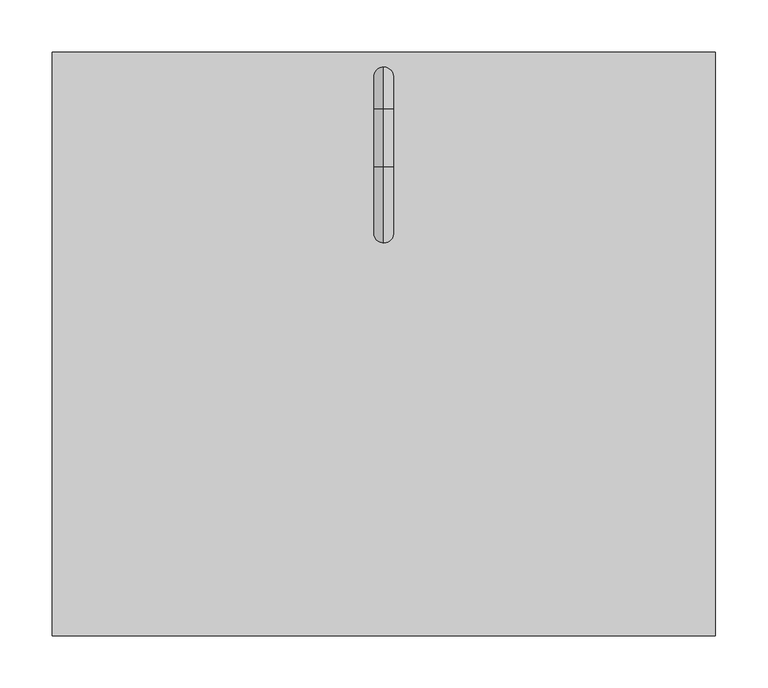
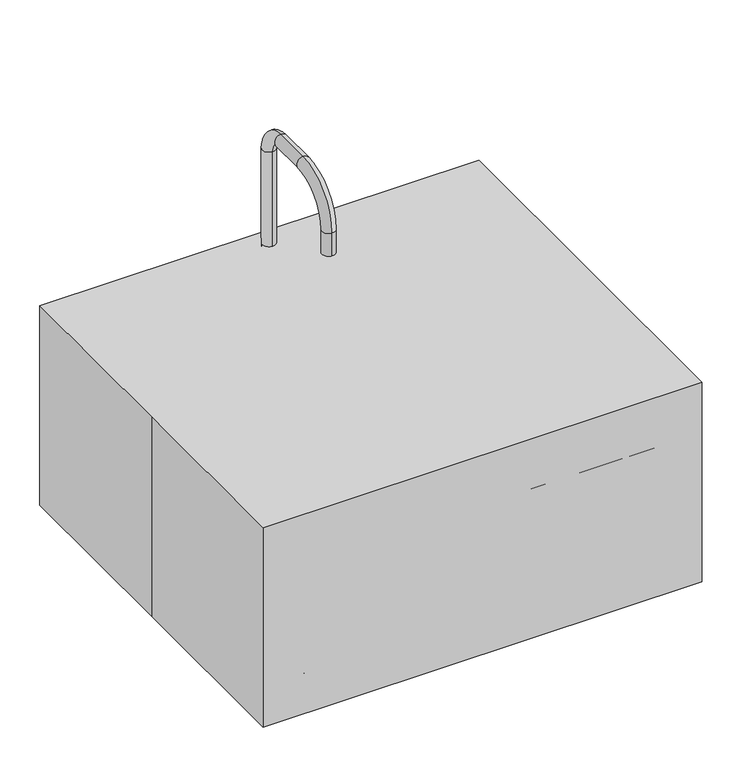
"""IFC4 building model written with IfcOpenShell, lengths in millimetres: proxy geometry."""

from ifc_helpers import new_model, si_unit, point, frame, frame_2d, origin, origin_with_axes, origin_2d, place, context, project, spatial, polyline, circle_curve, ellipse_curve, trimmed, segment, composite_curve, outline, extrude, source, transform, mapped, element, save
from ifc_brep_helpers import plane_surface, cylinder_surface, revolved_surface, advanced_brep


def specialty_equipment_99f64522(model_context):
    return source(origin(), model_context, "Body", "SolidModel", [
        extrude(outline(composite_curve([segment(trimmed(circle_curve(frame_2d((215.9, 168.275)), 25.4), [point((215.9, 193.675))], [point((241.3, 168.275))], False, "CARTESIAN"), True, "CONTINUOUS"), segment(polyline([(241.3, 168.275), (241.3, -177.8)]), True, "CONTINUOUS"), segment(trimmed(circle_curve(frame_2d((215.9, -177.8)), 25.4), [point((241.3, -177.8))], [point((215.9, -203.2))], False, "CARTESIAN"), True, "CONTINUOUS"), segment(polyline([(215.9, -203.2), (-217.16273, -203.2)]), True, "CONTINUOUS"), segment(trimmed(circle_curve(frame_2d((-217.16273, -177.8)), 25.4), [point((-217.16273, -203.2))], [point((-242.56273, -177.8))], False, "CARTESIAN"), True, "CONTINUOUS"), segment(polyline([(-242.56273, -177.8), (-242.56273, 168.275)]), True, "CONTINUOUS"), segment(trimmed(circle_curve(frame_2d((-217.16273, 168.275)), 25.4), [point((-242.56273, 168.275))], [point((-217.16273, 193.675))], False, "CARTESIAN"), True, "CONTINUOUS"), segment(polyline([(-217.16273, 193.675), (215.9, 193.675)]), True, "CONTINUOUS")], self_intersect=False), holes=[composite_curve([segment(trimmed(circle_curve(origin_2d(), 25.4), [point((-25.4, 0.0))], [point((25.4, 0.0))], True, "CARTESIAN"), True, "CONTINUOUS"), segment(trimmed(circle_curve(origin_2d(), 25.4), [point((25.4, 0.0))], [point((-25.4, 0.0))], True, "CARTESIAN"), True, "CONTINUOUS")], self_intersect=False)]), origin_with_axes(), (0.0, 0.0, 1.0), 9.525),
        extrude(outline(polyline([(-317.5, 279.4), (317.5, 279.4), (317.5, -279.4), (-317.5, -279.4), (-317.5, 0.0), (-317.5, 279.4)])), origin_with_axes(), (0.0, 0.0, 1.0), 304.8),
        extrude(outline(composite_curve([segment(trimmed(circle_curve(frame_2d((82.55, 260.35)), 19.05), [point((82.55, 279.4))], [point((82.55, 241.3))], False, "CARTESIAN"), True, "CONTINUOUS"), segment(polyline([(82.55, 241.3), (-82.55, 241.3)]), True, "CONTINUOUS"), segment(trimmed(circle_curve(frame_2d((-82.55, 260.35)), 19.05), [point((-82.55, 241.3))], [point((-82.55, 279.4))], False, "CARTESIAN"), True, "CONTINUOUS"), segment(polyline([(-82.55, 279.4), (82.55, 279.4)]), True, "CONTINUOUS")], self_intersect=False), holes=[composite_curve([segment(trimmed(circle_curve(frame_2d((0.0, 255.5875)), 9.525), [point((-9.525, 255.5875))], [point((9.525, 255.5875))], True, "CARTESIAN"), True, "CONTINUOUS"), segment(trimmed(circle_curve(frame_2d((0.0, 255.5875)), 9.525), [point((9.525, 255.5875))], [point((-9.525, 255.5875))], True, "CARTESIAN"), True, "CONTINUOUS")], self_intersect=False)]), frame((0.0, 0.0, 228.6), z_axis=(0.0, 0.0, 1.0), x_axis=(1.0, 0.0, 0.0)), (0.0, 0.0, 1.0), 12.7),
        extrude(outline(composite_curve([segment(trimmed(circle_curve(frame_2d((-1e-07, 255.5875)), 12.7), [point((-12.7000001, 255.5875))], [point((12.6999999, 255.5875))], False, "CARTESIAN"), True, "CONTINUOUS"), segment(trimmed(circle_curve(frame_2d((-1e-07, 255.5875)), 12.7), [point((12.6999999, 255.5875))], [point((-12.7000001, 255.5875))], False, "CARTESIAN"), True, "CONTINUOUS")], self_intersect=False), holes=[composite_curve([segment(trimmed(circle_curve(frame_2d((-1e-07, 255.5875)), 9.525), [point((-9.5250001, 255.5875))], [point((9.5249999, 255.5875))], True, "CARTESIAN"), True, "CONTINUOUS"), segment(trimmed(circle_curve(frame_2d((-1e-07, 255.5875)), 9.525), [point((9.5249999, 255.5875))], [point((-9.5250001, 255.5875))], True, "CARTESIAN"), True, "CONTINUOUS")], self_intersect=False)]), frame((0.0, 0.0, 241.3), z_axis=(0.0, 0.0, 1.0), x_axis=(1.0, 0.0, 0.0)), (0.0, 0.0, 1.0), 12.7),
        advanced_brep(
        [(-1e-07, 265.1125, 228.6), (-1e-07, 246.0625, 228.6), (-1e-07, 265.1125, 449.2625), (-1e-07, 246.0625, 449.2625), (-1e-07, 225.425, 469.9), (-1e-07, 225.425, 488.95), (-1e-07, 169.8625, 488.95), (-1e-07, 169.8625, 469.9), (-1e-07, 115.8875, 415.925), (-1e-07, 96.8375, 415.925), (-1e-07, 96.8375, 381.0), (-1e-07, 115.8875, 381.0)],
        [
            (0, 1, circle_curve(frame((-1e-07, 255.5875, 228.6), z_axis=(0.0, 0.0, -1.0), x_axis=(0.0, -1.0, 0.0)), 9.525)),
            (1, 0, circle_curve(frame((-1e-07, 255.5875, 228.6), z_axis=(0.0, 0.0, -1.0), x_axis=(0.0, -1.0, 0.0)), 9.525)),
            (0, 2),
            (2, 3, circle_curve(frame((-1e-07, 255.5875, 449.2625), z_axis=(0.0, 0.0, -1.0), x_axis=(0.0, -1.0, 0.0)), 9.525)),
            (3, 1),
            (3, 2, circle_curve(frame((-1e-07, 255.5875, 449.2625), z_axis=(0.0, 0.0, -1.0), x_axis=(0.0, -1.0, 0.0)), 9.525)),
            (4, 3, circle_curve(frame((-1e-07, 225.425, 449.2625), z_axis=(-1.0, 0.0, 0.0), x_axis=(0.0, 1.0, 0.0)), 20.6375)),
            (2, 5, circle_curve(frame((-1e-07, 225.425, 449.2625), z_axis=(1.0, 0.0, 0.0), x_axis=(0.0, 1.0, 0.0)), 39.6875)),
            (5, 4, circle_curve(frame((-1e-07, 225.425, 479.425), z_axis=(0.0, 1.0, 0.0), x_axis=(0.0, 0.0, -1.0)), 9.525)),
            (4, 5, circle_curve(frame((-1e-07, 225.425, 479.425), z_axis=(0.0, 1.0, 0.0), x_axis=(0.0, 0.0, -1.0)), 9.525)),
            (5, 6),
            (6, 7, circle_curve(frame((-1e-07, 169.8625, 479.425), z_axis=(0.0, 1.0, 0.0), x_axis=(0.0, 0.0, -1.0)), 9.525)),
            (7, 4),
            (7, 6, circle_curve(frame((-1e-07, 169.8625, 479.425), z_axis=(0.0, 1.0, 0.0), x_axis=(0.0, 0.0, -1.0)), 9.525)),
            (8, 7, circle_curve(frame((-1e-07, 169.8625, 415.925), z_axis=(-1.0, 0.0, 0.0), x_axis=(0.0, 0.0, 1.0)), 53.975)),
            (6, 9, circle_curve(frame((-1e-07, 169.8625, 415.925), z_axis=(1.0, 0.0, 0.0), x_axis=(0.0, 0.0, 1.0)), 73.025)),
            (9, 8, circle_curve(frame((-1e-07, 106.3625, 415.925), z_axis=(0.0, 0.0, 1.0), x_axis=(0.0, 1.0, 0.0)), 9.525)),
            (8, 9, circle_curve(frame((-1e-07, 106.3625, 415.925), z_axis=(0.0, 0.0, 1.0), x_axis=(0.0, 1.0, 0.0)), 9.525)),
            (10, 11, circle_curve(frame((-1e-07, 106.3625, 381.0), z_axis=(0.0, 0.0, -1.0), x_axis=(0.0, 1.0, 0.0)), 9.525)),
            (11, 10, circle_curve(frame((-1e-07, 106.3625, 381.0), z_axis=(0.0, 0.0, -1.0), x_axis=(0.0, 1.0, 0.0)), 9.525)),
            (9, 10),
            (11, 8),
        ],
        [
            plane_surface(frame((-1e-07, 246.0625, 228.6), z_axis=(0.0, 0.0, -1.0), x_axis=(1.0, 0.0, 0.0))),
            cylinder_surface(frame((-1e-07, 255.5875, 228.6), z_axis=(0.0, 0.0, -1.0), x_axis=(0.0, -1.0, 0.0)), 9.525),
            revolved_surface(trimmed(ellipse_curve(frame((-1e-07, 255.5875, 449.2625), z_axis=(0.0, 0.0, -1.0), x_axis=(0.0, -1.0, 0.0)), 9.525, 9.525), [point((-1e-07, 265.1125, 449.2625))], [point((-1e-07, 246.0625, 449.2625))], True, "CARTESIAN"), (-1e-07, 225.425, 449.2625), (1.0, 0.0, 0.0)),
            revolved_surface(trimmed(ellipse_curve(frame((-1e-07, 255.5875, 449.2625), z_axis=(0.0, 0.0, -1.0), x_axis=(0.0, -1.0, 0.0)), 9.525, 9.525), [point((-1e-07, 246.0625, 449.2625))], [point((-1e-07, 265.1125, 449.2625))], True, "CARTESIAN"), (-1e-07, 225.425, 449.2625), (1.0, 0.0, 0.0)),
            cylinder_surface(frame((-1e-07, 225.425, 479.425), z_axis=(0.0, 1.0, 0.0), x_axis=(0.0, 0.0, -1.0)), 9.525),
            revolved_surface(trimmed(ellipse_curve(frame((-1e-07, 169.8625, 479.425), z_axis=(0.0, 1.0, 0.0), x_axis=(0.0, 0.0, -1.0)), 9.525, 9.525), [point((-1e-07, 169.8625, 488.95))], [point((-1e-07, 169.8625, 469.9))], True, "CARTESIAN"), (-1e-07, 169.8625, 415.925), (1.0, 0.0, 0.0)),
            revolved_surface(trimmed(ellipse_curve(frame((-1e-07, 169.8625, 479.425), z_axis=(0.0, 1.0, 0.0), x_axis=(0.0, 0.0, -1.0)), 9.525, 9.525), [point((-1e-07, 169.8625, 469.9))], [point((-1e-07, 169.8625, 488.95))], True, "CARTESIAN"), (-1e-07, 169.8625, 415.925), (1.0, 0.0, 0.0)),
            plane_surface(frame((-1e-07, 96.8375, 381.0), z_axis=(0.0, 0.0, -1.0), x_axis=(-1.0, 0.0, 0.0))),
            cylinder_surface(frame((-1e-07, 106.3625, 415.925), z_axis=(0.0, 0.0, 1.0), x_axis=(0.0, 1.0, 0.0)), 9.525),
        ],
        [
            (0, [[1, 2]]),
            (1, [[-1, 3, 4, 5]]),
            (1, [[-2, -5, 6, -3]]),
            (2, [[7, -4, 8, 9]]),
            (3, [[-8, -6, -7, 10]]),
            (4, [[-9, 11, 12, 13]]),
            (4, [[-10, -13, 14, -11]]),
            (5, [[15, -12, 16, 17]]),
            (6, [[-16, -14, -15, 18]]),
            (7, [[19, 20]]),
            (8, [[-17, 21, -20, 22]]),
            (8, [[-18, -22, -19, -21]]),
        ],
    ),
        extrude(outline(composite_curve([segment(trimmed(circle_curve(frame_2d((-57.15, 260.35)), 19.05), [point((-76.2, 260.35))], [point((-38.1, 260.35))], False, "CARTESIAN"), True, "CONTINUOUS"), segment(trimmed(circle_curve(frame_2d((-57.15, 260.35)), 19.05), [point((-38.1, 260.35))], [point((-76.2, 260.35))], False, "CARTESIAN"), True, "CONTINUOUS")], self_intersect=False)), frame((0.0, 0.0, 241.3), z_axis=(0.0, 0.0, 1.0), x_axis=(1.0, 0.0, 0.0)), (0.0, 0.0, 1.0), 50.8),
        extrude(outline(composite_curve([segment(trimmed(circle_curve(frame_2d((57.15, 260.35)), 19.05), [point((38.1, 260.35))], [point((76.2, 260.35))], False, "CARTESIAN"), True, "CONTINUOUS"), segment(trimmed(circle_curve(frame_2d((57.15, 260.35)), 19.05), [point((76.2, 260.35))], [point((38.1, 260.35))], False, "CARTESIAN"), True, "CONTINUOUS")], self_intersect=False)), frame((0.0, 0.0, 241.3), z_axis=(0.0, 0.0, 1.0), x_axis=(1.0, 0.0, 0.0)), (0.0, 0.0, 1.0), 50.8),
        advanced_brep(
        [(-217.16273, 237.1923666, -1.5149159), (-217.16273, 237.1923666, 214.3850841), (214.6372701, 237.1923666, 214.3850841), (214.6372701, 237.1923666, -1.5149159), (-217.16273, 192.7423666, -1.5149159), (214.6372701, 192.7423666, -1.5149159), (-217.16273, 192.7423666, 8.0100841), (214.6372701, 192.7423666, 8.0100841), (-217.16273, 195.3307848, 8.0100841), (214.6372701, 195.3307848, 8.0100841), (-217.16273, 214.3082938, 25.3997672), (214.6372701, 214.3082938, 25.3997672), (-217.16273, 230.8423666, 214.3850841), (214.6372701, 230.8423666, 214.3850841), (284.4872701, 167.3423666, -1.5149159), (284.4872701, 167.3423666, 214.3850841), (240.0372701, 167.3423666, -1.5149159), (240.0372701, 167.3423666, 8.0100841), (242.6256883, 167.3423666, 8.0100841), (261.6031973, 167.3423666, 25.3997672), (278.1372701, 167.3423666, 214.3850841), (284.4872701, -178.7326334, 214.3850841), (284.4872701, -178.7326334, -1.5149159), (240.0372701, -178.7326334, -1.5149159), (240.0372701, -178.7326334, 8.0100841), (242.6256883, -178.7326334, 8.0100841), (261.6031973, -178.7326334, 25.3997672), (278.1372701, -178.7326334, 214.3850841), (214.6372701, -248.5826334, -1.5149159), (214.6372701, -248.5826334, 214.3850841), (214.6372701, -204.1326334, -1.5149159), (214.6372701, -204.1326334, 8.0100841), (214.6372701, -206.7210516, 8.0100841), (214.6372701, -225.6985606, 25.3997672), (214.6372701, -242.2326334, 214.3850841), (-217.16273, -248.5826334, 214.3850841), (-217.16273, -248.5826334, -1.5149159), (-217.16273, -204.1326334, -1.5149159), (-217.16273, -204.1326334, 8.0100841), (-217.16273, -206.7210516, 8.0100841), (-217.16273, -225.6985606, 25.3997672), (-217.16273, -242.2326334, 214.3850841), (-287.01273, -178.7326334, -1.5149159), (-287.01273, -178.7326334, 214.3850841), (-242.56273, -178.7326334, -1.5149159), (-242.56273, -178.7326334, 8.0100841), (-245.1511482, -178.7326334, 8.0100841), (-264.1286572, -178.7326334, 25.3997672), (-280.66273, -178.7326334, 214.3850841), (-287.01273, 167.3423666, 214.3850841), (-287.01273, 167.3423666, -1.5149159), (-242.56273, 167.3423666, -1.5149159), (-242.56273, 167.3423666, 8.0100841), (-245.1511482, 167.3423666, 8.0100841), (-264.1286572, 167.3423666, 25.3997672), (-280.66273, 167.3423666, 214.3850841)],
        [
            (0, 1),
            (1, 2),
            (2, 3),
            (3, 0),
            (4, 0),
            (3, 5),
            (5, 4),
            (6, 4),
            (5, 7),
            (7, 6),
            (8, 6),
            (7, 9),
            (9, 8),
            (10, 8, circle_curve(frame((-217.16273, 195.3307848, 27.0600841), z_axis=(-1.0, 0.0, 0.0), x_axis=(0.0, 1.0, 0.0)), 19.05)),
            (9, 11, circle_curve(frame((214.6372701, 195.3307848, 27.0600841), z_axis=(1.0, 0.0, 0.0), x_axis=(0.0, 1.0, 0.0)), 19.05)),
            (11, 10),
            (12, 10),
            (11, 13),
            (13, 12),
            (1, 12),
            (13, 2),
            (14, 3, circle_curve(frame((214.6372701, 167.3423666, -1.5149159), z_axis=(0.0, 0.0, 1.0), x_axis=(0.0, 1.0, 0.0)), 69.85)),
            (2, 15, circle_curve(frame((214.6372701, 167.3423666, 214.3850841), z_axis=(0.0, 0.0, -1.0), x_axis=(0.0, 1.0, 0.0)), 69.85)),
            (15, 14),
            (16, 5, circle_curve(frame((214.6372701, 167.3423666, -1.5149159), z_axis=(0.0, 0.0, 1.0), x_axis=(0.0, 1.0, 0.0)), 25.4)),
            (14, 16),
            (17, 7, circle_curve(frame((214.6372701, 167.3423666, 8.0100841), z_axis=(0.0, 0.0, 1.0), x_axis=(0.0, 1.0, 0.0)), 25.4)),
            (16, 17),
            (18, 9, circle_curve(frame((214.6372701, 167.3423666, 8.0100841), z_axis=(0.0, 0.0, 1.0), x_axis=(0.0, 1.0, 0.0)), 27.9884182)),
            (17, 18),
            (19, 11, circle_curve(frame((214.6372701, 167.3423666, 25.3997672), z_axis=(0.0, 0.0, 1.0), x_axis=(0.0, 1.0, 0.0)), 46.9659272)),
            (18, 19, circle_curve(frame((242.6256883, 167.3423666, 27.0600841), z_axis=(0.0, -1.0, 0.0), x_axis=(1.0, 0.0, 0.0)), 19.05)),
            (20, 13, circle_curve(frame((214.6372701, 167.3423666, 214.3850841), z_axis=(0.0, 0.0, 1.0), x_axis=(0.0, 1.0, 0.0)), 63.5)),
            (19, 20),
            (20, 15),
            (15, 21),
            (21, 22),
            (22, 14),
            (22, 23),
            (23, 16),
            (23, 24),
            (24, 17),
            (24, 25),
            (25, 18),
            (25, 26, circle_curve(frame((242.6256883, -178.7326334, 27.0600841), z_axis=(0.0, -1.0, 0.0), x_axis=(1.0, 0.0, 0.0)), 19.05)),
            (26, 19),
            (26, 27),
            (27, 20),
            (27, 21),
            (28, 22, circle_curve(frame((214.6372701, -178.7326334, -1.5149159), z_axis=(0.0, 0.0, 1.0), x_axis=(1.0, 0.0, 0.0)), 69.85)),
            (21, 29, circle_curve(frame((214.6372701, -178.7326334, 214.3850841), z_axis=(0.0, 0.0, -1.0), x_axis=(1.0, 0.0, 0.0)), 69.85)),
            (29, 28),
            (30, 23, circle_curve(frame((214.6372701, -178.7326334, -1.5149159), z_axis=(0.0, 0.0, 1.0), x_axis=(1.0, 0.0, 0.0)), 25.4)),
            (28, 30),
            (31, 24, circle_curve(frame((214.6372701, -178.7326334, 8.0100841), z_axis=(0.0, 0.0, 1.0), x_axis=(1.0, 0.0, 0.0)), 25.4)),
            (30, 31),
            (32, 25, circle_curve(frame((214.6372701, -178.7326334, 8.0100841), z_axis=(0.0, 0.0, 1.0), x_axis=(1.0, 0.0, 0.0)), 27.9884182)),
            (31, 32),
            (33, 26, circle_curve(frame((214.6372701, -178.7326334, 25.3997672), z_axis=(0.0, 0.0, 1.0), x_axis=(1.0, 0.0, 0.0)), 46.9659272)),
            (32, 33, circle_curve(frame((214.6372701, -206.7210516, 27.0600841), z_axis=(-1.0, 0.0, 0.0), x_axis=(0.0, -1.0, 0.0)), 19.05)),
            (34, 27, circle_curve(frame((214.6372701, -178.7326334, 214.3850841), z_axis=(0.0, 0.0, 1.0), x_axis=(1.0, 0.0, 0.0)), 63.5)),
            (33, 34),
            (34, 29),
            (29, 35),
            (35, 36),
            (36, 28),
            (36, 37),
            (37, 30),
            (37, 38),
            (38, 31),
            (38, 39),
            (39, 32),
            (39, 40, circle_curve(frame((-217.16273, -206.7210516, 27.0600841), z_axis=(-1.0, 0.0, 0.0), x_axis=(0.0, -1.0, 0.0)), 19.05)),
            (40, 33),
            (40, 41),
            (41, 34),
            (41, 35),
            (42, 36, circle_curve(frame((-217.16273, -178.7326334, -1.5149159), z_axis=(0.0, 0.0, 1.0), x_axis=(0.0, -1.0, 0.0)), 69.85)),
            (35, 43, circle_curve(frame((-217.16273, -178.7326334, 214.3850841), z_axis=(0.0, 0.0, -1.0), x_axis=(0.0, -1.0, 0.0)), 69.85)),
            (43, 42),
            (44, 37, circle_curve(frame((-217.16273, -178.7326334, -1.5149159), z_axis=(0.0, 0.0, 1.0), x_axis=(0.0, -1.0, 0.0)), 25.4)),
            (42, 44),
            (45, 38, circle_curve(frame((-217.16273, -178.7326334, 8.0100841), z_axis=(0.0, 0.0, 1.0), x_axis=(0.0, -1.0, 0.0)), 25.4)),
            (44, 45),
            (46, 39, circle_curve(frame((-217.16273, -178.7326334, 8.0100841), z_axis=(0.0, 0.0, 1.0), x_axis=(0.0, -1.0, 0.0)), 27.9884182)),
            (45, 46),
            (47, 40, circle_curve(frame((-217.16273, -178.7326334, 25.3997672), z_axis=(0.0, 0.0, 1.0), x_axis=(0.0, -1.0, 0.0)), 46.9659272)),
            (46, 47, circle_curve(frame((-245.1511482, -178.7326334, 27.0600841), z_axis=(0.0, 1.0, 0.0), x_axis=(-1.0, 0.0, 0.0)), 19.05)),
            (48, 41, circle_curve(frame((-217.16273, -178.7326334, 214.3850841), z_axis=(0.0, 0.0, 1.0), x_axis=(0.0, -1.0, 0.0)), 63.5)),
            (47, 48),
            (48, 43),
            (43, 49),
            (49, 50),
            (50, 42),
            (50, 51),
            (51, 44),
            (51, 52),
            (52, 45),
            (52, 53),
            (53, 46),
            (53, 54, circle_curve(frame((-245.1511482, 167.3423666, 27.0600841), z_axis=(0.0, 1.0, 0.0), x_axis=(-1.0, 0.0, 0.0)), 19.05)),
            (54, 47),
            (54, 55),
            (55, 48),
            (55, 49),
            (0, 50, circle_curve(frame((-217.16273, 167.3423666, -1.5149159), z_axis=(0.0, 0.0, 1.0), x_axis=(-1.0, 0.0, 0.0)), 69.85)),
            (49, 1, circle_curve(frame((-217.16273, 167.3423666, 214.3850841), z_axis=(0.0, 0.0, -1.0), x_axis=(-1.0, 0.0, 0.0)), 69.85)),
            (4, 51, circle_curve(frame((-217.16273, 167.3423666, -1.5149159), z_axis=(0.0, 0.0, 1.0), x_axis=(-1.0, 0.0, 0.0)), 25.4)),
            (6, 52, circle_curve(frame((-217.16273, 167.3423666, 8.0100841), z_axis=(0.0, 0.0, 1.0), x_axis=(-1.0, 0.0, 0.0)), 25.4)),
            (8, 53, circle_curve(frame((-217.16273, 167.3423666, 8.0100841), z_axis=(0.0, 0.0, 1.0), x_axis=(-1.0, 0.0, 0.0)), 27.9884182)),
            (10, 54, circle_curve(frame((-217.16273, 167.3423666, 25.3997672), z_axis=(0.0, 0.0, 1.0), x_axis=(-1.0, 0.0, 0.0)), 46.9659272)),
            (12, 55, circle_curve(frame((-217.16273, 167.3423666, 214.3850841), z_axis=(0.0, 0.0, 1.0), x_axis=(-1.0, 0.0, 0.0)), 63.5)),
        ],
        [
            plane_surface(frame((-217.16273, 237.1923666, 214.3850841), z_axis=(0.0, 1.0, 0.0), x_axis=(1.0, 0.0, 0.0))),
            plane_surface(frame((-217.16273, 237.1923666, -1.5149159), z_axis=(0.0, 0.0, -1.0), x_axis=(1.0, 0.0, 0.0))),
            plane_surface(frame((-217.16273, 192.7423666, -1.5149159), z_axis=(0.0, -1.0, 0.0), x_axis=(1.0, 0.0, 0.0))),
            plane_surface(frame((-217.16273, 192.7423666, 8.0100841), z_axis=(0.0, 0.0, 1.0), x_axis=(1.0, 0.0, 0.0))),
            revolved_surface(polyline([(214.63727010000002, 214.38078480000001, 27.0600841), (-217.16273, 214.38078480000001, 27.0600841)]), (-217.16273, 195.3307848, 27.0600841), (1.0, 0.0, 0.0)),
            plane_surface(frame((-217.16273, 214.3082938, 25.3997672), z_axis=(0.0, -0.9961946980917363, 0.08715574274776339), x_axis=(1.0, 0.0, 0.0))),
            plane_surface(frame((-217.16273, 230.8423666, 214.3850841), z_axis=(0.0, 0.0, 1.0), x_axis=(1.0, 0.0, 0.0))),
            cylinder_surface(frame((214.6372701, 167.3423666, -649.2149159), z_axis=(0.0, 0.0, -1.0), x_axis=(0.0, 1.0, 0.0)), 69.85),
            plane_surface(frame((214.6372701, 167.3423666, -1.5149159), z_axis=(0.0, 0.0, -1.0), x_axis=(0.0, 1.0, 0.0))),
            revolved_surface(polyline([(214.6372701, 192.7423666, -1.5149159000000054), (214.6372701, 192.7423666, 8.010084099999972)]), (214.6372701, 167.3423666, -649.2149159), (0.0, 0.0, -1.0)),
            plane_surface(frame((214.6372701, 167.3423666, 8.0100841), z_axis=(0.0, 0.0, 1.0), x_axis=(0.0, 1.0, 0.0))),
            revolved_surface(trimmed(ellipse_curve(frame((214.6372701, 195.3307848, 27.0600841), z_axis=(1.0, 0.0, 0.0), x_axis=(0.0, 1.0, 0.0)), 19.05, 19.05), [point((214.6372701, 195.3307848, 8.0100841))], [point((214.6372701, 214.3082938, 25.3997672))], True, "CARTESIAN"), (214.6372701, 167.3423666, -649.2149159), (0.0, 0.0, -1.0)),
            revolved_surface(polyline([(214.6372701, 214.3082938, 25.3997672), (214.6372701, 230.8423666, 214.3850841)]), (214.6372701, 167.3423666, -649.2149159), (0.0, 0.0, -1.0)),
            plane_surface(frame((214.6372701, 167.3423666, 214.3850841), z_axis=(0.0, 0.0, 1.0), x_axis=(0.0, 1.0, 0.0))),
            plane_surface(frame((284.4872701, 167.3423666, 214.3850841), z_axis=(1.0, 0.0, 0.0), x_axis=(0.0, -1.0, 0.0))),
            plane_surface(frame((284.4872701, 167.3423666, -1.5149159), z_axis=(0.0, 0.0, -1.0), x_axis=(0.0, -1.0, 0.0))),
            plane_surface(frame((240.0372701, 167.3423666, -1.5149159), z_axis=(-1.0, 0.0, 0.0), x_axis=(0.0, -1.0, 0.0))),
            plane_surface(frame((240.0372701, 167.3423666, 8.0100841), z_axis=(0.0, 0.0, 1.0), x_axis=(0.0, -1.0, 0.0))),
            revolved_surface(polyline([(261.6756883, -178.7326334, 27.0600841), (261.6756883, 167.3423666, 27.0600841)]), (242.6256883, 167.3423666, 27.0600841), (0.0, -1.0, 0.0)),
            plane_surface(frame((261.6031973, 167.3423666, 25.3997672), z_axis=(-0.9961946980917363, 0.0, 0.08715574274776339), x_axis=(0.0, -1.0, 0.0))),
            plane_surface(frame((278.1372701, 167.3423666, 214.3850841), z_axis=(0.0, 0.0, 1.0), x_axis=(0.0, -1.0, 0.0))),
            cylinder_surface(frame((214.6372701, -178.7326334, -649.2149159), z_axis=(0.0, 0.0, -1.0), x_axis=(1.0, 0.0, 0.0)), 69.85),
            plane_surface(frame((214.6372701, -178.7326334, -1.5149159), z_axis=(0.0, 0.0, -1.0), x_axis=(1.0, 0.0, 0.0))),
            revolved_surface(polyline([(240.0372701, -178.7326334, -1.5149159000000054), (240.0372701, -178.7326334, 8.010084099999972)]), (214.6372701, -178.7326334, -649.2149159), (0.0, 0.0, -1.0)),
            plane_surface(frame((214.6372701, -178.7326334, 8.0100841), z_axis=(0.0, 0.0, 1.0), x_axis=(1.0, 0.0, 0.0))),
            revolved_surface(trimmed(ellipse_curve(frame((242.6256883, -178.7326334, 27.0600841), z_axis=(0.0, -1.0, 0.0), x_axis=(1.0, 0.0, 0.0)), 19.05, 19.05), [point((242.6256883, -178.7326334, 8.0100841))], [point((261.6031973, -178.7326334, 25.3997672))], True, "CARTESIAN"), (214.6372701, -178.7326334, -649.2149159), (0.0, 0.0, -1.0)),
            revolved_surface(polyline([(261.6031973, -178.7326334, 25.3997672), (278.1372701, -178.7326334, 214.3850841)]), (214.6372701, -178.7326334, -649.2149159), (0.0, 0.0, -1.0)),
            plane_surface(frame((214.6372701, -178.7326334, 214.3850841), z_axis=(0.0, 0.0, 1.0), x_axis=(1.0, 0.0, 0.0))),
            plane_surface(frame((214.6372701, -248.5826334, 214.3850841), z_axis=(0.0, -1.0, 0.0), x_axis=(-1.0, 0.0, 0.0))),
            plane_surface(frame((214.6372701, -248.5826334, -1.5149159), z_axis=(0.0, 0.0, -1.0), x_axis=(-1.0, 0.0, 0.0))),
            plane_surface(frame((214.6372701, -204.1326334, -1.5149159), z_axis=(0.0, 1.0, 0.0), x_axis=(-1.0, 0.0, 0.0))),
            plane_surface(frame((214.6372701, -204.1326334, 8.0100841), z_axis=(0.0, 0.0, 1.0), x_axis=(-1.0, 0.0, 0.0))),
            revolved_surface(polyline([(-217.16273000000004, -225.77105160000002, 27.0600841), (214.6372701, -225.77105160000002, 27.0600841)]), (214.6372701, -206.7210516, 27.0600841), (-1.0, 0.0, 0.0)),
            plane_surface(frame((214.6372701, -225.6985606, 25.3997672), z_axis=(0.0, 0.9961946980917363, 0.08715574274776339), x_axis=(-1.0, 0.0, 0.0))),
            plane_surface(frame((214.6372701, -242.2326334, 214.3850841), z_axis=(0.0, 0.0, 1.0), x_axis=(-1.0, 0.0, 0.0))),
            cylinder_surface(frame((-217.16273, -178.7326334, -649.2149159), z_axis=(0.0, 0.0, -1.0), x_axis=(0.0, -1.0, 0.0)), 69.85),
            plane_surface(frame((-217.16273, -178.7326334, -1.5149159), z_axis=(0.0, 0.0, -1.0), x_axis=(0.0, -1.0, 0.0))),
            revolved_surface(polyline([(-217.16273, -204.1326334, -1.5149159000000054), (-217.16273, -204.1326334, 8.010084099999972)]), (-217.16273, -178.7326334, -649.2149159), (0.0, 0.0, -1.0)),
            plane_surface(frame((-217.16273, -178.7326334, 8.0100841), z_axis=(0.0, 0.0, 1.0), x_axis=(0.0, -1.0, 0.0))),
            revolved_surface(trimmed(ellipse_curve(frame((-217.16273, -206.7210516, 27.0600841), z_axis=(-1.0, 0.0, 0.0), x_axis=(0.0, -1.0, 0.0)), 19.05, 19.05), [point((-217.16273, -206.7210516, 8.0100841))], [point((-217.16273, -225.6985606, 25.3997672))], True, "CARTESIAN"), (-217.16273, -178.7326334, -649.2149159), (0.0, 0.0, -1.0)),
            revolved_surface(polyline([(-217.16273, -225.6985606, 25.3997672), (-217.16273, -242.2326334, 214.3850841)]), (-217.16273, -178.7326334, -649.2149159), (0.0, 0.0, -1.0)),
            plane_surface(frame((-217.16273, -178.7326334, 214.3850841), z_axis=(0.0, 0.0, 1.0), x_axis=(0.0, -1.0, 0.0))),
            plane_surface(frame((-287.01273, -178.7326334, 214.3850841), z_axis=(-1.0, 0.0, 0.0), x_axis=(0.0, 1.0, 0.0))),
            plane_surface(frame((-287.01273, -178.7326334, -1.5149159), z_axis=(0.0, 0.0, -1.0), x_axis=(0.0, 1.0, 0.0))),
            plane_surface(frame((-242.56273, -178.7326334, -1.5149159), z_axis=(1.0, 0.0, 0.0), x_axis=(0.0, 1.0, 0.0))),
            plane_surface(frame((-242.56273, -178.7326334, 8.0100841), z_axis=(0.0, 0.0, 1.0), x_axis=(0.0, 1.0, 0.0))),
            revolved_surface(polyline([(-264.2011482, 167.3423666, 27.0600841), (-264.2011482, -178.7326334, 27.0600841)]), (-245.1511482, -178.7326334, 27.0600841), (0.0, 1.0, 0.0)),
            plane_surface(frame((-264.1286572, -178.7326334, 25.3997672), z_axis=(0.9961946980917363, 0.0, 0.08715574274776339), x_axis=(0.0, 1.0, 0.0))),
            plane_surface(frame((-280.66273, -178.7326334, 214.3850841), z_axis=(0.0, 0.0, 1.0), x_axis=(0.0, 1.0, 0.0))),
            cylinder_surface(frame((-217.16273, 167.3423666, -649.2149159), z_axis=(0.0, 0.0, -1.0), x_axis=(-1.0, 0.0, 0.0)), 69.85),
            plane_surface(frame((-217.16273, 167.3423666, -1.5149159), z_axis=(0.0, 0.0, -1.0), x_axis=(-1.0, 0.0, 0.0))),
            revolved_surface(polyline([(-242.56273000000002, 167.3423666, -1.5149159000000054), (-242.56273000000002, 167.3423666, 8.010084099999972)]), (-217.16273, 167.3423666, -649.2149159), (0.0, 0.0, -1.0)),
            plane_surface(frame((-217.16273, 167.3423666, 8.0100841), z_axis=(0.0, 0.0, 1.0), x_axis=(-1.0, 0.0, 0.0))),
            revolved_surface(trimmed(ellipse_curve(frame((-245.1511482, 167.3423666, 27.0600841), z_axis=(0.0, 1.0, 0.0), x_axis=(-1.0, 0.0, 0.0)), 19.05, 19.05), [point((-245.1511482, 167.3423666, 8.0100841))], [point((-264.1286572, 167.3423666, 25.3997672))], True, "CARTESIAN"), (-217.16273, 167.3423666, -649.2149159), (0.0, 0.0, -1.0)),
            revolved_surface(polyline([(-264.1286572, 167.3423666, 25.3997672), (-280.66273, 167.3423666, 214.3850841)]), (-217.16273, 167.3423666, -649.2149159), (0.0, 0.0, -1.0)),
            plane_surface(frame((-217.16273, 167.3423666, 214.3850841), z_axis=(0.0, 0.0, 1.0), x_axis=(-1.0, 0.0, 0.0))),
        ],
        [
            (0, [[1, 2, 3, 4]]),
            (1, [[5, -4, 6, 7]]),
            (2, [[8, -7, 9, 10]]),
            (3, [[11, -10, 12, 13]]),
            (4, [[14, -13, 15, 16]]),
            (5, [[17, -16, 18, 19]]),
            (6, [[20, -19, 21, -2]]),
            (7, [[22, -3, 23, 24]]),
            (8, [[25, -6, -22, 26]]),
            (9, [[27, -9, -25, 28]]),
            (10, [[29, -12, -27, 30]]),
            (11, [[31, -15, -29, 32]]),
            (12, [[33, -18, -31, 34]]),
            (13, [[-23, -21, -33, 35]]),
            (14, [[-24, 36, 37, 38]]),
            (15, [[-26, -38, 39, 40]]),
            (16, [[-28, -40, 41, 42]]),
            (17, [[-30, -42, 43, 44]]),
            (18, [[-32, -44, 45, 46]]),
            (19, [[-34, -46, 47, 48]]),
            (20, [[-35, -48, 49, -36]]),
            (21, [[50, -37, 51, 52]]),
            (22, [[53, -39, -50, 54]]),
            (23, [[55, -41, -53, 56]]),
            (24, [[57, -43, -55, 58]]),
            (25, [[59, -45, -57, 60]]),
            (26, [[61, -47, -59, 62]]),
            (27, [[-51, -49, -61, 63]]),
            (28, [[-52, 64, 65, 66]]),
            (29, [[-54, -66, 67, 68]]),
            (30, [[-56, -68, 69, 70]]),
            (31, [[-58, -70, 71, 72]]),
            (32, [[-60, -72, 73, 74]]),
            (33, [[-62, -74, 75, 76]]),
            (34, [[-63, -76, 77, -64]]),
            (35, [[78, -65, 79, 80]]),
            (36, [[81, -67, -78, 82]]),
            (37, [[83, -69, -81, 84]]),
            (38, [[85, -71, -83, 86]]),
            (39, [[87, -73, -85, 88]]),
            (40, [[89, -75, -87, 90]]),
            (41, [[-79, -77, -89, 91]]),
            (42, [[-80, 92, 93, 94]]),
            (43, [[-82, -94, 95, 96]]),
            (44, [[-84, -96, 97, 98]]),
            (45, [[-86, -98, 99, 100]]),
            (46, [[-88, -100, 101, 102]]),
            (47, [[-90, -102, 103, 104]]),
            (48, [[-91, -104, 105, -92]]),
            (49, [[106, -93, 107, -1]]),
            (50, [[108, -95, -106, -5]]),
            (51, [[109, -97, -108, -8]]),
            (52, [[110, -99, -109, -11]]),
            (53, [[111, -101, -110, -14]]),
            (54, [[112, -103, -111, -17]]),
            (55, [[-107, -105, -112, -20]]),
        ],
    ),
        extrude(outline(composite_curve([segment(trimmed(circle_curve(frame_2d((-254.0, -215.9)), 63.5), [point((-254.0, -279.4))], [point((-317.5, -215.9))], False, "CARTESIAN"), True, "CONTINUOUS"), segment(polyline([(-317.5, -215.9), (-317.5, 215.9)]), True, "CONTINUOUS"), segment(trimmed(circle_curve(frame_2d((-254.0, 215.9)), 63.5), [point((-317.5, 215.9))], [point((-254.0, 279.4))], False, "CARTESIAN"), True, "CONTINUOUS"), segment(polyline([(-254.0, 279.4), (247.65, 279.4)]), True, "CONTINUOUS"), segment(trimmed(circle_curve(frame_2d((247.65, 215.9)), 63.5), [point((247.65, 279.4))], [point((311.15, 215.9))], False, "CARTESIAN"), True, "CONTINUOUS"), segment(polyline([(311.15, 215.9), (311.15, -215.9)]), True, "CONTINUOUS"), segment(trimmed(circle_curve(frame_2d((247.65, -215.9)), 63.5), [point((311.15, -215.9))], [point((247.65, -279.4))], False, "CARTESIAN"), True, "CONTINUOUS"), segment(polyline([(247.65, -279.4), (-254.0, -279.4)]), True, "CONTINUOUS")], self_intersect=False), holes=[composite_curve([segment(polyline([(209.55, 231.775), (-217.16273, 231.775)]), True, "CONTINUOUS"), segment(trimmed(circle_curve(frame_2d((-217.16273, 168.275)), 63.5), [point((-217.16273, 231.775))], [point((-280.66273, 168.275))], True, "CARTESIAN"), True, "CONTINUOUS"), segment(polyline([(-280.66273, 168.275), (-280.66273, -177.8)]), True, "CONTINUOUS"), segment(trimmed(circle_curve(frame_2d((-217.16273, -177.8)), 63.5), [point((-280.66273, -177.8))], [point((-217.16273, -241.3))], True, "CARTESIAN"), True, "CONTINUOUS"), segment(polyline([(-217.16273, -241.3), (209.55, -241.3)]), True, "CONTINUOUS"), segment(trimmed(circle_curve(frame_2d((209.55, -177.8)), 63.5), [point((209.55, -241.3))], [point((273.05, -177.8))], True, "CARTESIAN"), True, "CONTINUOUS"), segment(polyline([(273.05, -177.8), (273.05, 168.275)]), True, "CONTINUOUS"), segment(trimmed(circle_curve(frame_2d((209.55, 168.275)), 63.5), [point((273.05, 168.275))], [point((209.55, 231.775))], True, "CARTESIAN"), True, "CONTINUOUS")], self_intersect=False)]), frame((0.0, 0.0, 215.9), z_axis=(0.0, 0.0, 1.0), x_axis=(1.0, 0.0, 0.0)), (0.0, 0.0, 1.0), 12.7),
    ])


if __name__ == "__main__":
    model = new_model("IFC4")
    model_context = context("Model", 3, world=origin())
    ifc_project = project(units=[si_unit("LENGTHUNIT", "METRE", prefix="MILLI")], contexts=[model_context])
    site = spatial("IfcSite", under=ifc_project)
    building = spatial("IfcBuilding", under=site)
    placement = place(None, origin())
    specialty_equipment_shape = specialty_equipment_99f64522(model_context)
    element("IfcBuildingElementProxy", 1, Name="Specialty Equipment", at=placement, inside=building, context=model_context, shape_type="MappedRepresentation", body=[
        mapped(specialty_equipment_shape, transform((0.0, 0.0, 0.0), x_axis=(1.0, 0.0, 0.0), y_axis=(0.0, 1.0, 0.0), z_axis=(0.0, 0.0, 1.0))),
    ])
    save(model, "model.ifc")
